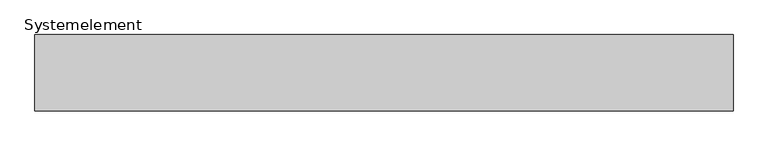
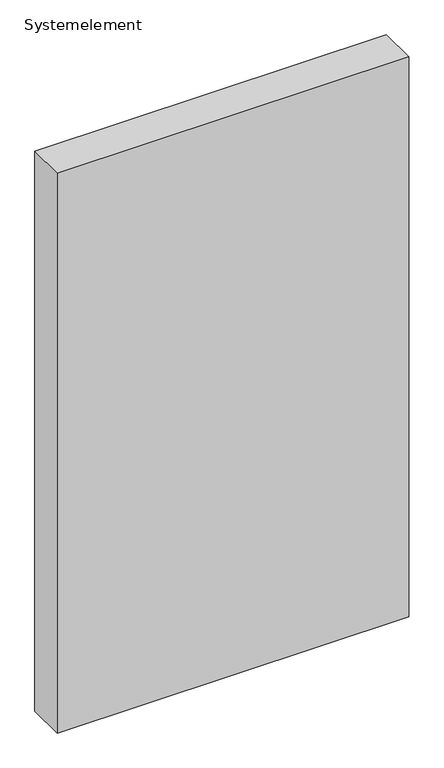
"""IFC4 building model written with IfcOpenShell, lengths in millimetres: plate geometry, Systemelement."""

import ifcopenshell
import ifcopenshell.guid

model = None  # the IFC model being written
_history = None  # IfcOwnerHistory: only IFC2X3 demands one
_inside = {}  # id of a spatial element -> (the spatial element, [elements in it])
_under = {}  # id of a project, library or spatial element -> (it, [spatial elements below it])
_declared = {}  # id of a project -> (the project, [libraries it declares])
_typed = {}  # id of a type object -> (the type object, [elements of that type])
_made_of = {}  # id of a material, layer set ... -> (it, [elements and type objects made of it])


def new_model(schema):
    """Start an empty IFC model of exactly this schema.

    Asked for "IFC4X3", IfcOpenShell would pick the latest addendum, in which some entities
    have other attributes; the version numbers below select the first issue.
    IFC2X3 requires an IfcOwnerHistory on every rooted entity: one is made here for all.
    """
    global model, _history
    if schema == "IFC4X3":
        model = ifcopenshell.file(schema_version=(4, 3, 0, 0))
    else:
        model = ifcopenshell.file(schema=schema)
    _inside.clear()
    _under.clear()
    _declared.clear()
    _typed.clear()
    _made_of.clear()
    _history = None
    if model.schema == "IFC2X3":
        org = make("IfcOrganization", Name="unknown")
        user = make(
            "IfcPersonAndOrganization",
            ThePerson=make("IfcPerson", FamilyName="unknown"),
            TheOrganization=org,
        )
        app = make(
            "IfcApplication",
            ApplicationDeveloper=org,
            Version="unknown",
            ApplicationFullName="unknown",
            ApplicationIdentifier="unknown",
        )
        _history = make(
            "IfcOwnerHistory",
            OwningUser=user,
            OwningApplication=app,
            ChangeAction="ADDED",
            CreationDate=0,
        )
    return model


def make(cls, **values):
    """One entity of the class cls with the attributes given. An attribute that is None is left unset."""
    return model.create_entity(
        cls, **{name: value for name, value in values.items() if value is not None}
    )


def rooted(cls, **values):
    """An entity with a GlobalId (a new one), such as an element, a storey or a relation."""
    return make(cls, GlobalId=ifcopenshell.guid.new(), OwnerHistory=_history, **values)


def si_unit(unit_type, name, prefix=None):
    """IfcSIUnit, for example si_unit("LENGTHUNIT", "METRE", prefix="MILLI")."""
    return make("IfcSIUnit", UnitType=unit_type, Prefix=prefix, Name=name)


def assignment(units):
    """IfcUnitAssignment: the units of a project."""
    return None if units is None else make("IfcUnitAssignment", Units=units)


def point(xyz):
    """IfcCartesianPoint."""
    return None if xyz is None else make("IfcCartesianPoint", Coordinates=xyz)


def direction(xyz):
    """IfcDirection."""
    return None if xyz is None else make("IfcDirection", DirectionRatios=xyz)


def frame(location, z_axis=None, x_axis=None):
    """IfcAxis2Placement3D, a coordinate frame: its origin and axes. An axis left out is left unset."""
    return make(
        "IfcAxis2Placement3D",
        Location=point(location),
        Axis=direction(z_axis),
        RefDirection=direction(x_axis),
    )


def origin():
    """The frame at (0, 0, 0) with its axes left unset."""
    return frame((0.0, 0.0, 0.0))


def origin_with_axes():
    """The frame at (0, 0, 0) with the z axis (0, 0, 1) and the x axis (1, 0, 0) written out."""
    return frame((0.0, 0.0, 0.0), z_axis=(0.0, 0.0, 1.0), x_axis=(1.0, 0.0, 0.0))


def place(relative_to, where):
    """IfcLocalPlacement: puts the frame where relative to a parent placement (None: the world)."""
    return make(
        "IfcLocalPlacement", PlacementRelTo=relative_to, RelativePlacement=where
    )


def context(
    kind, dimensions, precision=None, world=None, true_north=None, identifier=None
):
    """IfcGeometricRepresentationContext, for example the 3D "Model" context."""
    return make(
        "IfcGeometricRepresentationContext",
        ContextIdentifier=identifier,
        ContextType=kind,
        CoordinateSpaceDimension=dimensions,
        Precision=precision,
        WorldCoordinateSystem=world,
        TrueNorth=true_north,
    )


def project(units=None, contexts=None):
    """IfcProject with its units and contexts."""
    return rooted(
        "IfcProject",
        Name="project",
        RepresentationContexts=contexts,
        UnitsInContext=assignment(units),
    )


def spatial(cls, under=None, at=None, **own):
    """A site, building, storey or space (cls), placed at a placement, below another one or the project."""
    s = rooted(cls, ObjectPlacement=at, **own)
    if under is not None:
        _under.setdefault(under.id(), (under, []))[1].append(s)
    return s


def polyline(points):
    """IfcPolyline through the points."""
    return make("IfcPolyline", Points=[point(p) for p in points])


def outline(outer, holes=None, kind="AREA"):
    """IfcArbitraryClosedProfileDef: a profile drawn as a closed curve; with holes, ...WithVoids."""
    if holes is None:
        return make("IfcArbitraryClosedProfileDef", ProfileType=kind, OuterCurve=outer)
    return make(
        "IfcArbitraryProfileDefWithVoids",
        ProfileType=kind,
        OuterCurve=outer,
        InnerCurves=holes,
    )


def extrude(swept, where, along, depth):
    """IfcExtrudedAreaSolid: the profile swept, set in the frame where, extruded along a direction by depth."""
    return make(
        "IfcExtrudedAreaSolid",
        SweptArea=swept,
        Position=where,
        ExtrudedDirection=direction(along),
        Depth=depth,
    )


def shape(context_of_items, identifier, shape_type, items):
    """IfcShapeRepresentation: the items that make up one representation, for example the "Body"."""
    return make(
        "IfcShapeRepresentation",
        ContextOfItems=context_of_items,
        RepresentationIdentifier=identifier,
        RepresentationType=shape_type,
        Items=items,
    )


def source(mapping_origin, context_of_items, identifier, shape_type, items):
    """IfcRepresentationMap: a shape defined once, which mapped items show again and again."""
    return make(
        "IfcRepresentationMap",
        MappingOrigin=mapping_origin,
        MappedRepresentation=shape(context_of_items, identifier, shape_type, items),
    )


def transform(
    local_origin,
    x_axis=None,
    y_axis=None,
    z_axis=None,
    scale=None,
    scale2=None,
    scale3=None,
    uniform=True,
):
    """IfcCartesianTransformationOperator3D, or its non-uniform kind. x_axis, y_axis, z_axis: its Axis1, 2, 3."""
    if uniform:
        return make(
            "IfcCartesianTransformationOperator3D",
            Axis1=direction(x_axis),
            Axis2=direction(y_axis),
            LocalOrigin=point(local_origin),
            Scale=scale,
            Axis3=direction(z_axis),
        )
    return make(
        "IfcCartesianTransformationOperator3DnonUniform",
        Axis1=direction(x_axis),
        Axis2=direction(y_axis),
        LocalOrigin=point(local_origin),
        Scale=scale,
        Axis3=direction(z_axis),
        Scale2=scale2,
        Scale3=scale3,
    )


def mapped(mapping_source, mapping_target):
    """IfcMappedItem: shows the shape of a source again, moved by a transform."""
    return make(
        "IfcMappedItem", MappingSource=mapping_source, MappingTarget=mapping_target
    )


def made_of(thing, what):
    """Note that an element or type object is made of a material, layer set ...; save() writes the relation."""
    if what is not None:
        _made_of.setdefault(what.id(), (what, []))[1].append(thing)
    return thing


def element(
    cls,
    number,
    at=None,
    inside=None,
    cuts=None,
    type_object=None,
    material=None,
    context=None,
    identifier="Body",
    shape_type=None,
    held_by="IfcProductDefinitionShape",
    body=None,
    shapes=None,
    **own,
):
    """One element of the class cls, such as IfcWall. Its Tag is "e" and its number.

    at: its placement. inside: the storey or other place that contains it. cuts: it is an
    opening in that element (IfcRelVoidsElement). A single representation is given by context,
    identifier, shape_type and body (its items); several are given by shapes. held_by: the class
    of the entity that holds the representations. save() writes the other relations.
    """
    e = rooted(cls, Tag="e%d" % number, ObjectPlacement=at, **own)
    if body is not None:
        shapes = [shape(context, identifier, shape_type, body)]
    if shapes is not None:
        e.Representation = make(held_by, Representations=shapes)
    if inside is not None:
        _inside.setdefault(inside.id(), (inside, []))[1].append(e)
    if cuts is not None:
        rooted(
            "IfcRelVoidsElement", RelatingBuildingElement=cuts, RelatedOpeningElement=e
        )
    if type_object is not None:
        _typed.setdefault(type_object.id(), (type_object, []))[1].append(e)
    return made_of(e, material)


def aggregate(whole, parts):
    """IfcRelAggregates: a whole, such as a stair, and the parts it consists of."""
    return rooted("IfcRelAggregates", RelatingObject=whole, RelatedObjects=parts)


def save(model, path):
    """Write the relations noted so far, then the file.

    IfcRelAggregates (storeys below a building ...), IfcRelContainedInSpatialStructure (elements
    in a storey), IfcRelDefinesByType, IfcRelAssociatesMaterial and IfcRelDeclares: one each for
    every whole, place, type object, material and project.
    """
    for whole, parts in _under.values():
        aggregate(whole, parts)
    for where, things in _inside.values():
        rooted(
            "IfcRelContainedInSpatialStructure",
            RelatedElements=things,
            RelatingStructure=where,
        )
    for kind, things in _typed.values():
        rooted("IfcRelDefinesByType", RelatedObjects=things, RelatingType=kind)
    for what, things in _made_of.values():
        rooted("IfcRelAssociatesMaterial", RelatedObjects=things, RelatingMaterial=what)
    for by, libraries in _declared.values():
        rooted("IfcRelDeclares", RelatingContext=by, RelatedDefinitions=libraries)
    model.write(path)


def systemelement_279c4a9a(model_context):
    return source(origin(), model_context, "Body", "SweptSolid", [
        extrude(outline(polyline([(550.0, -120.0), (-550.0, -120.0), (-550.0, 0.0), (550.0, 0.0), (550.0, -120.0)])), origin_with_axes(), (0.0, 0.0, 1.0), 1851.6147161),
    ])


if __name__ == "__main__":
    model = new_model("IFC4")
    model_context = context("Model", 3, world=origin())
    ifc_project = project(units=[si_unit("LENGTHUNIT", "METRE", prefix="MILLI")], contexts=[model_context])
    site = spatial("IfcSite", under=ifc_project)
    building = spatial("IfcBuilding", under=site)
    placement = place(None, origin())
    systemelement_shape = systemelement_279c4a9a(model_context)
    element("IfcPlate", 1, ObjectType="Systemelement", at=placement, inside=building, context=model_context, shape_type="MappedRepresentation", body=[
        mapped(systemelement_shape, transform((0.0, 0.0, 0.0), x_axis=(1.0, 0.0, 0.0), y_axis=(0.0, 1.0, 0.0), z_axis=(0.0, 0.0, 1.0))),
    ])
    save(model, "model.ifc")
